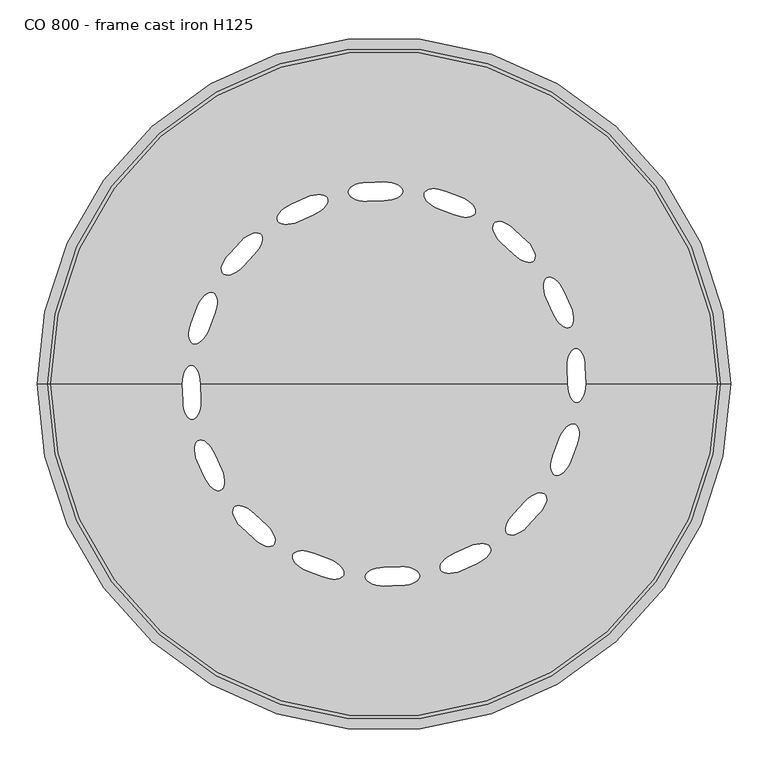
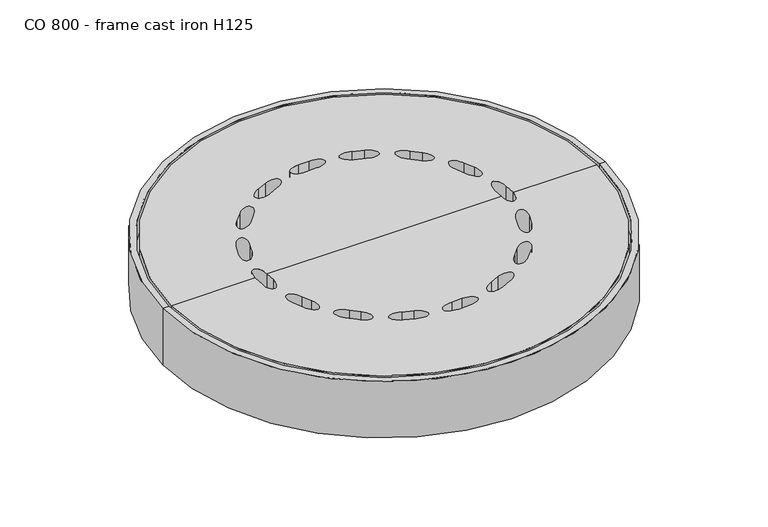
"""IFC4 building model written with IfcOpenShell, lengths in millimetres: sanitary terminal geometry, CO 800 - frame cast iron H125."""

from ifc_helpers import new_model, si_unit, point, frame, origin, origin_with_axes, place, context, project, spatial, polyline, circle_curve, ellipse_curve, trimmed, source, transform, mapped, element, save
from ifc_brep_helpers import plane_surface, cylinder_surface, revolved_surface, extruded_surface, advanced_brep


def co_800_frame_cast_iron_h125_b938201f(model_context):
    return source(origin(), model_context, "Body", "AdvancedBrep", [
        advanced_brep(
        [(-410.0, 0.0, -40.0), (410.0, 0.0, -40.0), (450.0, 0.0, -40.0), (-450.0, 0.0, -40.0), (-410.0, 0.0, -50.0), (410.0, 0.0, -50.0), (-450.0, 0.0, -50.0), (450.0, 0.0, -50.0), (-450.0, 0.0, -115.0), (450.0, 0.0, -115.0), (-400.0, 0.0, -115.0), (400.0, 0.0, -115.0), (-400.0, 0.0, -125.0), (400.0, 0.0, -125.0), (-463.0, 0.0, -125.0), (463.0, 0.0, -125.0), (-463.0, 0.0, 0.0), (463.0, 0.0, 0.0), (-450.0, 0.0, 0.0), (450.0, 0.0, 0.0)],
        [
            (0, 1, circle_curve(frame((0.0, 0.0, -40.0), z_axis=(0.0, 0.0, -1.0), x_axis=(1.0, 0.0, 0.0)), 410.0)),
            (1, 2),
            (2, 3, circle_curve(frame((0.0, 0.0, -40.0), z_axis=(0.0, 0.0, 1.0), x_axis=(1.0, 0.0, 0.0)), 450.0)),
            (3, 0),
            (1, 0, circle_curve(frame((0.0, 0.0, -40.0), z_axis=(0.0, 0.0, -1.0), x_axis=(1.0, 0.0, 0.0)), 410.0)),
            (3, 2, circle_curve(frame((0.0, 0.0, -40.0), z_axis=(0.0, 0.0, 1.0), x_axis=(1.0, 0.0, 0.0)), 450.0)),
            (4, 5, circle_curve(frame((0.0, 0.0, -50.0), z_axis=(0.0, 0.0, -1.0), x_axis=(1.0, 0.0, 0.0)), 410.0)),
            (5, 1),
            (0, 4),
            (5, 4, circle_curve(frame((0.0, 0.0, -50.0), z_axis=(0.0, 0.0, -1.0), x_axis=(1.0, 0.0, 0.0)), 410.0)),
            (6, 7, circle_curve(frame((0.0, 0.0, -50.0), z_axis=(0.0, 0.0, -1.0), x_axis=(1.0, 0.0, 0.0)), 450.0)),
            (7, 5),
            (4, 6),
            (7, 6, circle_curve(frame((0.0, 0.0, -50.0), z_axis=(0.0, 0.0, -1.0), x_axis=(1.0, 0.0, 0.0)), 450.0)),
            (8, 9, circle_curve(frame((0.0, 0.0, -115.0), z_axis=(0.0, 0.0, -1.0), x_axis=(1.0, 0.0, 0.0)), 450.0)),
            (9, 7),
            (6, 8),
            (9, 8, circle_curve(frame((0.0, 0.0, -115.0), z_axis=(0.0, 0.0, -1.0), x_axis=(1.0, 0.0, 0.0)), 450.0)),
            (10, 11, circle_curve(frame((0.0, 0.0, -115.0), z_axis=(0.0, 0.0, -1.0), x_axis=(1.0, 0.0, 0.0)), 400.0)),
            (11, 9),
            (8, 10),
            (11, 10, circle_curve(frame((0.0, 0.0, -115.0), z_axis=(0.0, 0.0, -1.0), x_axis=(1.0, 0.0, 0.0)), 400.0)),
            (12, 13, circle_curve(frame((0.0, 0.0, -125.0), z_axis=(0.0, 0.0, -1.0), x_axis=(1.0, 0.0, 0.0)), 400.0)),
            (13, 11),
            (10, 12),
            (13, 12, circle_curve(frame((0.0, 0.0, -125.0), z_axis=(0.0, 0.0, -1.0), x_axis=(1.0, 0.0, 0.0)), 400.0)),
            (14, 15, circle_curve(frame((0.0, 0.0, -125.0), z_axis=(0.0, 0.0, -1.0), x_axis=(1.0, 0.0, 0.0)), 463.0)),
            (15, 13),
            (12, 14),
            (15, 14, circle_curve(frame((0.0, 0.0, -125.0), z_axis=(0.0, 0.0, -1.0), x_axis=(1.0, 0.0, 0.0)), 463.0)),
            (16, 17, circle_curve(frame((0.0, 0.0, 0.0), z_axis=(0.0, 0.0, -1.0), x_axis=(1.0, 0.0, 0.0)), 463.0)),
            (17, 15),
            (14, 16),
            (17, 16, circle_curve(frame((0.0, 0.0, 0.0), z_axis=(0.0, 0.0, -1.0), x_axis=(1.0, 0.0, 0.0)), 463.0)),
            (18, 19, circle_curve(frame((0.0, 0.0, 0.0), z_axis=(0.0, 0.0, -1.0), x_axis=(1.0, 0.0, 0.0)), 450.0)),
            (19, 17),
            (16, 18),
            (19, 18, circle_curve(frame((0.0, 0.0, 0.0), z_axis=(0.0, 0.0, -1.0), x_axis=(1.0, 0.0, 0.0)), 450.0)),
            (2, 19),
            (18, 3),
        ],
        [
            plane_surface(frame((0.0, 0.0, -40.0), z_axis=(0.0, 0.0, 1.0), x_axis=(1.0, 0.0, 0.0))),
            revolved_surface(polyline([(410.0, 0.0, -40.0), (410.0, 0.0, -50.0)]), (0.0, 0.0, 434.469274), (0.0, 0.0, 1.0)),
            plane_surface(frame((0.0, 0.0, -50.0), z_axis=(0.0, 0.0, -1.0), x_axis=(1.0, 0.0, 0.0))),
            revolved_surface(polyline([(450.0, 0.0, -50.0), (450.0, 0.0, -115.00000000000006)]), (0.0, 0.0, 434.469274), (0.0, 0.0, 1.0)),
            plane_surface(frame((0.0, 0.0, -115.0), z_axis=(0.0, 0.0, 1.0), x_axis=(1.0, 0.0, 0.0))),
            revolved_surface(polyline([(400.0, 0.0, -115.00000000000006), (400.0, 0.0, -125.00000000000006)]), (0.0, 0.0, 434.469274), (0.0, 0.0, 1.0)),
            plane_surface(frame((0.0, 0.0, -125.0), z_axis=(0.0, 0.0, -1.0), x_axis=(1.0, 0.0, 0.0))),
            cylinder_surface(frame((0.0, 0.0, 434.469274), z_axis=(0.0, 0.0, 1.0), x_axis=(1.0, 0.0, 0.0)), 463.0),
            plane_surface(origin_with_axes()),
            revolved_surface(polyline([(450.0, 0.0, 0.0), (450.0, 0.0, -40.0)]), (0.0, 0.0, 434.469274), (0.0, 0.0, 1.0)),
        ],
        [
            (0, [[1, 2, 3, 4]]),
            (0, [[5, -4, 6, -2]]),
            (1, [[7, 8, -1, 9]]),
            (1, [[10, -9, -5, -8]]),
            (2, [[11, 12, -7, 13]]),
            (2, [[14, -13, -10, -12]]),
            (3, [[15, 16, -11, 17]]),
            (3, [[18, -17, -14, -16]]),
            (4, [[19, 20, -15, 21]]),
            (4, [[22, -21, -18, -20]]),
            (5, [[23, 24, -19, 25]]),
            (5, [[26, -25, -22, -24]]),
            (6, [[27, 28, -23, 29]]),
            (6, [[30, -29, -26, -28]]),
            (7, [[31, 32, -27, 33]]),
            (7, [[34, -33, -30, -32]]),
            (8, [[35, 36, -31, 37]]),
            (8, [[38, -37, -34, -36]]),
            (9, [[-3, 39, -35, 40]]),
            (9, [[-6, -40, -38, -39]]),
        ],
    ),
        advanced_brep(
        [(445.0, 0.0, -50.0), (-445.0, 0.0, -50.0), (-445.0, 0.0, 0.0), (445.0, 0.0, 0.0), (-270.0, 0.0, 0.0), (-245.0, 0.0, 0.0), (0.0, 0.0, 0.0), (245.0, 0.0, 0.0), (243.945145, 22.710487, 0.0), (269.043182, 22.710487, 0.0), (270.0, 0.0, 0.0), (0.0, 270.0, 0.0), (0.0, 245.0, 0.0), (-22.710487, 243.945145, 0.0), (-22.710487, 269.043182, 0.0), (103.3245267, 249.4474738, 0.0), (93.7574409, 226.3504855, 0.0), (72.3720112, 234.0668537, 0.0), (81.9766142, 257.2544163, 0.0), (-103.3245267, 249.4474738, 0.0), (-93.7574409, 226.3504855, 0.0), (-114.3355196, 216.6849994, 0.0), (-123.9401225, 239.8725621, 0.0), (-190.9188309, 190.9188309, 0.0), (-173.2411614, 173.2411614, 0.0), (-188.5540057, 156.4365269, 0.0), (-206.3009978, 174.183519, 0.0), (-249.4474738, 103.3245267, 0.0), (-226.3504855, 93.7574409, 0.0), (-234.0668537, 72.3720112, 0.0), (-257.2544163, 81.9766142, 0.0), (249.4474738, 103.3245267, 0.0), (226.3504855, 93.7574409, 0.0), (216.6849994, 114.3355196, 0.0), (239.8725621, 123.9401225, 0.0), (190.9188309, 190.9188309, 0.0), (173.2411614, 173.2411614, 0.0), (156.4365269, 188.5540057, 0.0), (174.183519, 206.3009978, 0.0), (-243.945145, -22.710487, 0.0), (-269.043182, -22.710487, 0.0), (-249.4474738, -103.3245267, 0.0), (-226.3504855, -93.7574409, 0.0), (-216.6849994, -114.3355196, 0.0), (-239.8725621, -123.9401225, 0.0), (-190.9188309, -190.9188309, 0.0), (-173.2411614, -173.2411614, 0.0), (-156.4365269, -188.5540057, 0.0), (-174.183519, -206.3009978, 0.0), (-103.3245267, -249.4474738, 0.0), (-93.7574409, -226.3504855, 0.0), (-72.3720112, -234.0668537, 0.0), (-81.9766142, -257.2544163, 0.0), (0.0, -270.0, 0.0), (0.0, -245.0, 0.0), (22.710487, -243.945145, 0.0), (22.710487, -269.043182, 0.0), (103.3245267, -249.4474738, 0.0), (93.7574409, -226.3504855, 0.0), (114.3355196, -216.6849994, 0.0), (123.9401225, -239.8725621, 0.0), (190.9188309, -190.9188309, 0.0), (173.2411614, -173.2411614, 0.0), (188.5540057, -156.4365269, 0.0), (206.3009978, -174.183519, 0.0), (249.4474738, -103.3245267, 0.0), (226.3504855, -93.7574409, 0.0), (234.0668537, -72.3720112, 0.0), (257.2544163, -81.9766142, 0.0), (270.0, 0.0, -50.0), (269.043182, 22.710487, -50.0), (243.945145, 22.710487, -50.0), (245.0, 0.0, -50.0), (0.0, 0.0, -50.0), (-245.0, 0.0, -50.0), (-270.0, 0.0, -50.0), (0.0, 245.0, -50.0), (0.0, 270.0, -50.0), (-22.710487, 269.043182, -50.0), (-22.710487, 243.945145, -50.0), (93.7574409, 226.3504855, -50.0), (103.3245267, 249.4474738, -50.0), (81.9766142, 257.2544163, -50.0), (72.3720112, 234.0668537, -50.0), (-93.7574409, 226.3504855, -50.0), (-103.3245267, 249.4474738, -50.0), (-123.9401225, 239.8725621, -50.0), (-114.3355196, 216.6849994, -50.0), (-173.2411614, 173.2411614, -50.0), (-190.9188309, 190.9188309, -50.0), (-206.3009978, 174.183519, -50.0), (-188.5540057, 156.4365269, -50.0), (-226.3504855, 93.7574409, -50.0), (-249.4474738, 103.3245267, -50.0), (-257.2544163, 81.9766142, -50.0), (-234.0668537, 72.3720112, -50.0), (226.3504855, 93.7574409, -50.0), (249.4474738, 103.3245267, -50.0), (239.8725621, 123.9401225, -50.0), (216.6849994, 114.3355196, -50.0), (173.2411614, 173.2411614, -50.0), (190.9188309, 190.9188309, -50.0), (174.183519, 206.3009978, -50.0), (156.4365269, 188.5540057, -50.0), (-269.043182, -22.710487, -50.0), (-243.945145, -22.710487, -50.0), (-226.3504855, -93.7574409, -50.0), (-249.4474738, -103.3245267, -50.0), (-239.8725621, -123.9401225, -50.0), (-216.6849994, -114.3355196, -50.0), (-173.2411614, -173.2411614, -50.0), (-190.9188309, -190.9188309, -50.0), (-174.183519, -206.3009978, -50.0), (-156.4365269, -188.5540057, -50.0), (-93.7574409, -226.3504855, -50.0), (-103.3245267, -249.4474738, -50.0), (-81.9766142, -257.2544163, -50.0), (-72.3720112, -234.0668537, -50.0), (0.0, -245.0, -50.0), (0.0, -270.0, -50.0), (22.710487, -269.043182, -50.0), (22.710487, -243.945145, -50.0), (93.7574409, -226.3504855, -50.0), (103.3245267, -249.4474738, -50.0), (123.9401225, -239.8725621, -50.0), (114.3355196, -216.6849994, -50.0), (173.2411614, -173.2411614, -50.0), (190.9188309, -190.9188309, -50.0), (206.3009978, -174.183519, -50.0), (188.5540057, -156.4365269, -50.0), (226.3504855, -93.7574409, -50.0), (249.4474738, -103.3245267, -50.0), (257.2544163, -81.9766142, -50.0), (234.0668537, -72.3720112, -50.0)],
        [
            (0, 1, circle_curve(frame((0.0, 0.0, -50.0), z_axis=(0.0, 0.0, 1.0), x_axis=(-1.0, 0.0, 0.0)), 445.0)),
            (1, 2),
            (2, 3, circle_curve(frame((0.0, 0.0, 0.0), z_axis=(0.0, 0.0, -1.0), x_axis=(-1.0, 0.0, 0.0)), 445.0)),
            (3, 0),
            (1, 0, circle_curve(frame((0.0, 0.0, -50.0), z_axis=(0.0, 0.0, 1.0), x_axis=(-1.0, 0.0, 0.0)), 445.0)),
            (3, 2, circle_curve(frame((0.0, 0.0, 0.0), z_axis=(0.0, 0.0, -1.0), x_axis=(-1.0, 0.0, 0.0)), 445.0)),
            (2, 4),
            (4, 5, ellipse_curve(frame((-257.5, 0.0, 0.0), z_axis=(0.0, 0.0, -1.0), x_axis=(0.0, -1.0, 0.0)), 25.0, 12.5)),
            (5, 6),
            (6, 7),
            (7, 8, circle_curve(frame((0.0, 0.0, 0.0), z_axis=(0.0, 0.0, 1.0), x_axis=(0.0, 1.0, 0.0)), 245.0)),
            (8, 9, ellipse_curve(frame((256.4941635, 22.710487, 0.0), z_axis=(0.0, 0.0, -1.0), x_axis=(0.0, 1.0, 0.0)), 25.0, 12.5490185)),
            (9, 10, circle_curve(frame((0.0, 0.0, 0.0), z_axis=(0.0, 0.0, -1.0), x_axis=(0.0, 1.0, 0.0)), 270.0)),
            (10, 3),
            (11, 12, ellipse_curve(frame((0.0, 257.5, 0.0), z_axis=(0.0, 0.0, -1.0), x_axis=(-1.0, 0.0, 0.0)), 25.0, 12.5)),
            (12, 13, circle_curve(frame((0.0, 0.0, 0.0), z_axis=(0.0, 0.0, 1.0), x_axis=(-1.0, 0.0, 0.0)), 245.0)),
            (13, 14, ellipse_curve(frame((-22.710487, 256.4941635, 0.0), z_axis=(0.0, 0.0, -1.0), x_axis=(-1.0, 0.0, 0.0)), 25.0, 12.5490185)),
            (14, 11, circle_curve(frame((0.0, 0.0, 0.0), z_axis=(0.0, 0.0, -1.0), x_axis=(-1.0, 0.0, 0.0)), 270.0)),
            (15, 16, ellipse_curve(frame((98.5409838, 237.8989796, 0.0), z_axis=(0.0, 0.0, -1.0), x_axis=(-0.9238795325112736, 0.3826834323651216, 0.0)), 25.0, 12.5)),
            (16, 17, circle_curve(frame((0.0, 0.0, 0.0), z_axis=(0.0, 0.0, 1.0), x_axis=(-0.9238795325112747, 0.3826834323651191, 0.0)), 245.0)),
            (17, 18, ellipse_curve(frame((77.1743127, 245.660635, 0.0), z_axis=(0.0, 0.0, -1.0), x_axis=(-0.9238795325112736, 0.3826834323651216, 0.0)), 25.0, 12.5490185)),
            (18, 15, circle_curve(frame((0.0, 0.0, 0.0), z_axis=(0.0, 0.0, -1.0), x_axis=(-0.9238795325112747, 0.3826834323651191, 0.0)), 270.0)),
            (19, 20, ellipse_curve(frame((-98.5409838, 237.8989796, 0.0), z_axis=(0.0, 0.0, -1.0), x_axis=(-0.9238795325113, -0.3826834323650579, 0.0)), 25.0, 12.5)),
            (20, 21, circle_curve(frame((0.0, 0.0, 0.0), z_axis=(0.0, 0.0, 1.0), x_axis=(-0.923879532511299, -0.3826834323650604, 0.0)), 245.0)),
            (21, 22, ellipse_curve(frame((-119.137821, 228.2787807, 0.0), z_axis=(0.0, 0.0, -1.0), x_axis=(-0.9238795325113, -0.3826834323650579, 0.0)), 25.0, 12.5490185)),
            (22, 19, circle_curve(frame((0.0, 0.0, 0.0), z_axis=(0.0, 0.0, -1.0), x_axis=(-0.923879532511299, -0.3826834323650604, 0.0)), 270.0)),
            (23, 24, ellipse_curve(frame((-182.0799962, 182.0799962, 0.0), z_axis=(0.0, 0.0, -1.0), x_axis=(-0.7071067811865723, -0.7071067811865227, 0.0)), 25.0, 12.5)),
            (24, 25, circle_curve(frame((0.0, 0.0, 0.0), z_axis=(0.0, 0.0, 1.0), x_axis=(-0.7071067811865704, -0.7071067811865246, 0.0)), 245.0)),
            (25, 26, ellipse_curve(frame((-197.4275017, 165.310023, 0.0), z_axis=(0.0, 0.0, -1.0), x_axis=(-0.7071067811865723, -0.7071067811865227, 0.0)), 25.0, 12.5490185)),
            (26, 23, circle_curve(frame((0.0, 0.0, 0.0), z_axis=(0.0, 0.0, -1.0), x_axis=(-0.7071067811865704, -0.7071067811865246, 0.0)), 270.0)),
            (27, 28, ellipse_curve(frame((-237.8989796, 98.5409838, 0.0), z_axis=(0.0, 0.0, -1.0), x_axis=(-0.3826834323651223, -0.9238795325112733, 0.0)), 25.0, 12.5)),
            (28, 29, circle_curve(frame((0.0, 0.0, 0.0), z_axis=(0.0, 0.0, 1.0), x_axis=(-0.3826834323651199, -0.9238795325112743, 0.0)), 245.0)),
            (29, 30, ellipse_curve(frame((-245.660635, 77.1743127, 0.0), z_axis=(0.0, 0.0, -1.0), x_axis=(-0.3826834323651223, -0.9238795325112733, 0.0)), 25.0, 12.5490185)),
            (30, 27, circle_curve(frame((0.0, 0.0, 0.0), z_axis=(0.0, 0.0, -1.0), x_axis=(-0.3826834323651199, -0.9238795325112743, 0.0)), 270.0)),
            (31, 32, ellipse_curve(frame((237.8989796, 98.5409838, 0.0), z_axis=(0.0, 0.0, -1.0), x_axis=(-0.3826834323650418, 0.9238795325113066, 0.0)), 25.0, 12.5)),
            (32, 33, circle_curve(frame((0.0, 0.0, 0.0), z_axis=(0.0, 0.0, 1.0), x_axis=(-0.3826834323650443, 0.9238795325113056, 0.0)), 245.0)),
            (33, 34, ellipse_curve(frame((228.2787807, 119.137821, 0.0), z_axis=(0.0, 0.0, -1.0), x_axis=(-0.3826834323650418, 0.9238795325113066, 0.0)), 25.0, 12.5490185)),
            (34, 31, circle_curve(frame((0.0, 0.0, 0.0), z_axis=(0.0, 0.0, -1.0), x_axis=(-0.3826834323650443, 0.9238795325113056, 0.0)), 270.0)),
            (35, 36, ellipse_curve(frame((182.0799962, 182.0799962, 0.0), z_axis=(0.0, 0.0, -1.0), x_axis=(-0.7071067811865195, 0.7071067811865756, 0.0)), 25.0, 12.5)),
            (36, 37, circle_curve(frame((0.0, 0.0, 0.0), z_axis=(0.0, 0.0, 1.0), x_axis=(-0.7071067811865214, 0.7071067811865737, 0.0)), 245.0)),
            (37, 38, ellipse_curve(frame((165.310023, 197.4275017, 0.0), z_axis=(0.0, 0.0, -1.0), x_axis=(-0.7071067811865195, 0.7071067811865756, 0.0)), 25.0, 12.5490185)),
            (38, 35, circle_curve(frame((0.0, 0.0, 0.0), z_axis=(0.0, 0.0, -1.0), x_axis=(-0.7071067811865214, 0.7071067811865737, 0.0)), 270.0)),
            (10, 7, ellipse_curve(frame((257.5, 0.0, 0.0), z_axis=(0.0, 0.0, -1.0), x_axis=(0.0, 1.0, 0.0)), 25.0, 12.5)),
            (5, 39, circle_curve(frame((0.0, 0.0, 0.0), z_axis=(0.0, 0.0, 1.0), x_axis=(0.0, -1.0, 0.0)), 245.0)),
            (39, 40, ellipse_curve(frame((-256.4941635, -22.710487, 0.0), z_axis=(0.0, 0.0, -1.0), x_axis=(0.0, -1.0, 0.0)), 25.0, 12.5490185)),
            (40, 4, circle_curve(frame((0.0, 0.0, 0.0), z_axis=(0.0, 0.0, -1.0), x_axis=(0.0, -1.0, 0.0)), 270.0)),
            (41, 42, ellipse_curve(frame((-237.8989796, -98.5409838, 0.0), z_axis=(0.0, 0.0, -1.0), x_axis=(0.3826834323650564, -0.9238795325113006, 0.0)), 25.0, 12.5)),
            (42, 43, circle_curve(frame((0.0, 0.0, 0.0), z_axis=(0.0, 0.0, 1.0), x_axis=(0.38268343236505886, -0.9238795325112996, 0.0)), 245.0)),
            (43, 44, ellipse_curve(frame((-228.2787807, -119.137821, 0.0), z_axis=(0.0, 0.0, -1.0), x_axis=(0.3826834323650564, -0.9238795325113006, 0.0)), 25.0, 12.5490185)),
            (44, 41, circle_curve(frame((0.0, 0.0, 0.0), z_axis=(0.0, 0.0, -1.0), x_axis=(0.38268343236505886, -0.9238795325112996, 0.0)), 270.0)),
            (45, 46, ellipse_curve(frame((-182.0799962, -182.0799962, 0.0), z_axis=(0.0, 0.0, -1.0), x_axis=(0.7071067811865172, -0.7071067811865779, 0.0)), 25.0, 12.5)),
            (46, 47, circle_curve(frame((0.0, 0.0, 0.0), z_axis=(0.0, 0.0, 1.0), x_axis=(0.707106781186519, -0.707106781186576, 0.0)), 245.0)),
            (47, 48, ellipse_curve(frame((-165.310023, -197.4275017, 0.0), z_axis=(0.0, 0.0, -1.0), x_axis=(0.7071067811865172, -0.7071067811865779, 0.0)), 25.0, 12.5490185)),
            (48, 45, circle_curve(frame((0.0, 0.0, 0.0), z_axis=(0.0, 0.0, -1.0), x_axis=(0.707106781186519, -0.707106781186576, 0.0)), 270.0)),
            (49, 50, ellipse_curve(frame((-98.5409838, -237.8989796, 0.0), z_axis=(0.0, 0.0, -1.0000000000000002), x_axis=(0.9238795325112679, -0.38268343236513563, 0.0)), 25.0, 12.5)),
            (50, 51, circle_curve(frame((0.0, 0.0, 0.0), z_axis=(0.0, 0.0, 1.0), x_axis=(0.9238795325112689, -0.3826834323651331, 0.0)), 245.0)),
            (51, 52, ellipse_curve(frame((-77.1743127, -245.660635, 0.0), z_axis=(0.0, 0.0, -1.0000000000000002), x_axis=(0.9238795325112679, -0.38268343236513563, 0.0)), 25.0, 12.5490185)),
            (52, 49, circle_curve(frame((0.0, 0.0, 0.0), z_axis=(0.0, 0.0, -1.0), x_axis=(0.9238795325112689, -0.3826834323651331, 0.0)), 270.0)),
            (53, 54, ellipse_curve(frame((0.0, -257.5, 0.0), z_axis=(0.0, 0.0, -1.0), x_axis=(1.0, 0.0, 0.0)), 25.0, 12.5)),
            (54, 55, circle_curve(origin_with_axes(), 245.0)),
            (55, 56, ellipse_curve(frame((22.710487, -256.4941635, 0.0), z_axis=(0.0, 0.0, -1.0), x_axis=(1.0, 0.0, 0.0)), 25.0, 12.5490185)),
            (56, 53, circle_curve(frame((0.0, 0.0, 0.0), z_axis=(0.0, 0.0, -1.0), x_axis=(1.0, 0.0, 0.0)), 270.0)),
            (57, 58, ellipse_curve(frame((98.5409838, -237.8989796, 0.0), z_axis=(0.0, 0.0, -1.0), x_axis=(0.9238795325113058, 0.38268343236504365, 0.0)), 25.0, 12.5)),
            (58, 59, circle_curve(frame((0.0, 0.0, 0.0), z_axis=(0.0, 0.0, 1.0), x_axis=(0.923879532511305, 0.3826834323650461, 0.0)), 245.0)),
            (59, 60, ellipse_curve(frame((119.137821, -228.2787807, 0.0), z_axis=(0.0, 0.0, -1.0), x_axis=(0.9238795325113058, 0.38268343236504365, 0.0)), 25.0, 12.5490185)),
            (60, 57, circle_curve(frame((0.0, 0.0, 0.0), z_axis=(0.0, 0.0, -1.0), x_axis=(0.923879532511305, 0.3826834323650461, 0.0)), 270.0)),
            (61, 62, ellipse_curve(frame((182.0799962, -182.0799962, 0.0), z_axis=(0.0, 0.0, -1.0), x_axis=(0.7071067811865839, 0.7071067811865112, 0.0)), 25.0, 12.5)),
            (62, 63, circle_curve(frame((0.0, 0.0, 0.0), z_axis=(0.0, 0.0, 1.0), x_axis=(0.707106781186582, 0.707106781186513, 0.0)), 245.0)),
            (63, 64, ellipse_curve(frame((197.4275017, -165.310023, 0.0), z_axis=(0.0, 0.0, -1.0), x_axis=(0.7071067811865839, 0.7071067811865112, 0.0)), 25.0, 12.5490185)),
            (64, 61, circle_curve(frame((0.0, 0.0, 0.0), z_axis=(0.0, 0.0, -1.0), x_axis=(0.707106781186582, 0.707106781186513, 0.0)), 270.0)),
            (65, 66, ellipse_curve(frame((237.8989796, -98.5409838, 0.0), z_axis=(0.0, 0.0, -1.0000000000000002), x_axis=(0.38268343236513686, 0.9238795325112674, 0.0)), 25.0, 12.5)),
            (66, 67, circle_curve(frame((0.0, 0.0, 0.0), z_axis=(0.0, 0.0, 1.0), x_axis=(0.38268343236513436, 0.9238795325112683, 0.0)), 245.0)),
            (67, 68, ellipse_curve(frame((245.660635, -77.1743127, 0.0), z_axis=(0.0, 0.0, -1.0000000000000002), x_axis=(0.38268343236513686, 0.9238795325112674, 0.0)), 25.0, 12.5490185)),
            (68, 65, circle_curve(frame((0.0, 0.0, 0.0), z_axis=(0.0, 0.0, -1.0), x_axis=(0.38268343236513436, 0.9238795325112683, 0.0)), 270.0)),
            (0, 69),
            (69, 70, circle_curve(frame((0.0, 0.0, -50.0), z_axis=(0.0, 0.0, 1.0), x_axis=(0.0, 1.0, 0.0)), 270.0)),
            (70, 71, ellipse_curve(frame((256.4941635, 22.710487, -50.0), z_axis=(0.0, 0.0, 1.0), x_axis=(0.0, 1.0, 0.0)), 25.0, 12.5490185)),
            (71, 72, circle_curve(frame((0.0, 0.0, -50.0), z_axis=(0.0, 0.0, -1.0), x_axis=(0.0, 1.0, 0.0)), 245.0)),
            (72, 73),
            (73, 74),
            (74, 75, ellipse_curve(frame((-257.5, 0.0, -50.0), z_axis=(0.0, 0.0, 1.0), x_axis=(0.0, -1.0, 0.0)), 25.0, 12.5)),
            (75, 1),
            (76, 77, ellipse_curve(frame((0.0, 257.5, -50.0), z_axis=(0.0, 0.0, 1.0), x_axis=(-1.0, 0.0, 0.0)), 25.0, 12.5)),
            (77, 78, circle_curve(frame((0.0, 0.0, -50.0), z_axis=(0.0, 0.0, 1.0), x_axis=(-1.0, 0.0, 0.0)), 270.0)),
            (78, 79, ellipse_curve(frame((-22.710487, 256.4941635, -50.0), z_axis=(0.0, 0.0, 1.0), x_axis=(-1.0, 0.0, 0.0)), 25.0, 12.5490185)),
            (79, 76, circle_curve(frame((0.0, 0.0, -50.0), z_axis=(0.0, 0.0, -1.0), x_axis=(-1.0, 0.0, 0.0)), 245.0)),
            (80, 81, ellipse_curve(frame((98.5409838, 237.8989796, -50.0), z_axis=(0.0, 0.0, 1.0), x_axis=(-0.9238795325112736, 0.3826834323651216, 0.0)), 25.0, 12.5)),
            (81, 82, circle_curve(frame((0.0, 0.0, -50.0), z_axis=(0.0, 0.0, 1.0), x_axis=(-0.9238795325112747, 0.3826834323651191, 0.0)), 270.0)),
            (82, 83, ellipse_curve(frame((77.1743127, 245.660635, -50.0), z_axis=(0.0, 0.0, 1.0), x_axis=(-0.9238795325112736, 0.3826834323651216, 0.0)), 25.0, 12.5490185)),
            (83, 80, circle_curve(frame((0.0, 0.0, -50.0), z_axis=(0.0, 0.0, -1.0), x_axis=(-0.9238795325112747, 0.3826834323651191, 0.0)), 245.0)),
            (84, 85, ellipse_curve(frame((-98.5409838, 237.8989796, -50.0), z_axis=(0.0, 0.0, 1.0), x_axis=(-0.9238795325113, -0.3826834323650579, 0.0)), 25.0, 12.5)),
            (85, 86, circle_curve(frame((0.0, 0.0, -50.0), z_axis=(0.0, 0.0, 1.0), x_axis=(-0.923879532511299, -0.3826834323650604, 0.0)), 270.0)),
            (86, 87, ellipse_curve(frame((-119.137821, 228.2787807, -50.0), z_axis=(0.0, 0.0, 1.0), x_axis=(-0.9238795325113, -0.3826834323650579, 0.0)), 25.0, 12.5490185)),
            (87, 84, circle_curve(frame((0.0, 0.0, -50.0), z_axis=(0.0, 0.0, -1.0), x_axis=(-0.923879532511299, -0.3826834323650604, 0.0)), 245.0)),
            (88, 89, ellipse_curve(frame((-182.0799962, 182.0799962, -50.0), z_axis=(0.0, 0.0, 1.0), x_axis=(-0.7071067811865723, -0.7071067811865227, 0.0)), 25.0, 12.5)),
            (89, 90, circle_curve(frame((0.0, 0.0, -50.0), z_axis=(0.0, 0.0, 1.0), x_axis=(-0.7071067811865704, -0.7071067811865246, 0.0)), 270.0)),
            (90, 91, ellipse_curve(frame((-197.4275017, 165.310023, -50.0), z_axis=(0.0, 0.0, 1.0), x_axis=(-0.7071067811865723, -0.7071067811865227, 0.0)), 25.0, 12.5490185)),
            (91, 88, circle_curve(frame((0.0, 0.0, -50.0), z_axis=(0.0, 0.0, -1.0), x_axis=(-0.7071067811865704, -0.7071067811865246, 0.0)), 245.0)),
            (92, 93, ellipse_curve(frame((-237.8989796, 98.5409838, -50.0), z_axis=(0.0, 0.0, 1.0), x_axis=(-0.3826834323651223, -0.9238795325112733, 0.0)), 25.0, 12.5)),
            (93, 94, circle_curve(frame((0.0, 0.0, -50.0), z_axis=(0.0, 0.0, 1.0), x_axis=(-0.3826834323651199, -0.9238795325112743, 0.0)), 270.0)),
            (94, 95, ellipse_curve(frame((-245.660635, 77.1743127, -50.0), z_axis=(0.0, 0.0, 1.0), x_axis=(-0.3826834323651223, -0.9238795325112733, 0.0)), 25.0, 12.5490185)),
            (95, 92, circle_curve(frame((0.0, 0.0, -50.0), z_axis=(0.0, 0.0, -1.0), x_axis=(-0.3826834323651199, -0.9238795325112743, 0.0)), 245.0)),
            (96, 97, ellipse_curve(frame((237.8989796, 98.5409838, -50.0), z_axis=(0.0, 0.0, 1.0), x_axis=(-0.3826834323650418, 0.9238795325113066, 0.0)), 25.0, 12.5)),
            (97, 98, circle_curve(frame((0.0, 0.0, -50.0), z_axis=(0.0, 0.0, 1.0), x_axis=(-0.3826834323650443, 0.9238795325113056, 0.0)), 270.0)),
            (98, 99, ellipse_curve(frame((228.2787807, 119.137821, -50.0), z_axis=(0.0, 0.0, 1.0), x_axis=(-0.3826834323650418, 0.9238795325113066, 0.0)), 25.0, 12.5490185)),
            (99, 96, circle_curve(frame((0.0, 0.0, -50.0), z_axis=(0.0, 0.0, -1.0), x_axis=(-0.3826834323650443, 0.9238795325113056, 0.0)), 245.0)),
            (100, 101, ellipse_curve(frame((182.0799962, 182.0799962, -50.0), z_axis=(0.0, 0.0, 1.0), x_axis=(-0.7071067811865195, 0.7071067811865756, 0.0)), 25.0, 12.5)),
            (101, 102, circle_curve(frame((0.0, 0.0, -50.0), z_axis=(0.0, 0.0, 1.0), x_axis=(-0.7071067811865214, 0.7071067811865737, 0.0)), 270.0)),
            (102, 103, ellipse_curve(frame((165.310023, 197.4275017, -50.0), z_axis=(0.0, 0.0, 1.0), x_axis=(-0.7071067811865195, 0.7071067811865756, 0.0)), 25.0, 12.5490185)),
            (103, 100, circle_curve(frame((0.0, 0.0, -50.0), z_axis=(0.0, 0.0, -1.0), x_axis=(-0.7071067811865214, 0.7071067811865737, 0.0)), 245.0)),
            (75, 104, circle_curve(frame((0.0, 0.0, -50.0), z_axis=(0.0, 0.0, 1.0), x_axis=(0.0, -1.0, 0.0)), 270.0)),
            (104, 105, ellipse_curve(frame((-256.4941635, -22.710487, -50.0), z_axis=(0.0, 0.0, 1.0), x_axis=(0.0, -1.0, 0.0)), 25.0, 12.5490185)),
            (105, 74, circle_curve(frame((0.0, 0.0, -50.0), z_axis=(0.0, 0.0, -1.0), x_axis=(0.0, -1.0, 0.0)), 245.0)),
            (72, 69, ellipse_curve(frame((257.5, 0.0, -50.0), z_axis=(0.0, 0.0, 1.0), x_axis=(0.0, 1.0, 0.0)), 25.0, 12.5)),
            (106, 107, ellipse_curve(frame((-237.8989796, -98.5409838, -50.0), z_axis=(0.0, 0.0, 1.0), x_axis=(0.3826834323650564, -0.9238795325113006, 0.0)), 25.0, 12.5)),
            (107, 108, circle_curve(frame((0.0, 0.0, -50.0), z_axis=(0.0, 0.0, 1.0), x_axis=(0.38268343236505886, -0.9238795325112996, 0.0)), 270.0)),
            (108, 109, ellipse_curve(frame((-228.2787807, -119.137821, -50.0), z_axis=(0.0, 0.0, 1.0), x_axis=(0.3826834323650564, -0.9238795325113006, 0.0)), 25.0, 12.5490185)),
            (109, 106, circle_curve(frame((0.0, 0.0, -50.0), z_axis=(0.0, 0.0, -1.0), x_axis=(0.38268343236505886, -0.9238795325112996, 0.0)), 245.0)),
            (110, 111, ellipse_curve(frame((-182.0799962, -182.0799962, -50.0), z_axis=(0.0, 0.0, 1.0), x_axis=(0.7071067811865172, -0.7071067811865779, 0.0)), 25.0, 12.5)),
            (111, 112, circle_curve(frame((0.0, 0.0, -50.0), z_axis=(0.0, 0.0, 1.0), x_axis=(0.707106781186519, -0.707106781186576, 0.0)), 270.0)),
            (112, 113, ellipse_curve(frame((-165.310023, -197.4275017, -50.0), z_axis=(0.0, 0.0, 1.0), x_axis=(0.7071067811865172, -0.7071067811865779, 0.0)), 25.0, 12.5490185)),
            (113, 110, circle_curve(frame((0.0, 0.0, -50.0), z_axis=(0.0, 0.0, -1.0), x_axis=(0.707106781186519, -0.707106781186576, 0.0)), 245.0)),
            (114, 115, ellipse_curve(frame((-98.5409838, -237.8989796, -50.0), z_axis=(0.0, 0.0, 1.0000000000000002), x_axis=(0.9238795325112679, -0.38268343236513563, 0.0)), 25.0, 12.5)),
            (115, 116, circle_curve(frame((0.0, 0.0, -50.0), z_axis=(0.0, 0.0, 1.0), x_axis=(0.9238795325112689, -0.3826834323651331, 0.0)), 270.0)),
            (116, 117, ellipse_curve(frame((-77.1743127, -245.660635, -50.0), z_axis=(0.0, 0.0, 1.0000000000000002), x_axis=(0.9238795325112679, -0.38268343236513563, 0.0)), 25.0, 12.5490185)),
            (117, 114, circle_curve(frame((0.0, 0.0, -50.0), z_axis=(0.0, 0.0, -1.0), x_axis=(0.9238795325112689, -0.3826834323651331, 0.0)), 245.0)),
            (118, 119, ellipse_curve(frame((0.0, -257.5, -50.0), z_axis=(0.0, 0.0, 1.0), x_axis=(1.0, 0.0, 0.0)), 25.0, 12.5)),
            (119, 120, circle_curve(frame((0.0, 0.0, -50.0), z_axis=(0.0, 0.0, 1.0), x_axis=(1.0, 0.0, 0.0)), 270.0)),
            (120, 121, ellipse_curve(frame((22.710487, -256.4941635, -50.0), z_axis=(0.0, 0.0, 1.0), x_axis=(1.0, 0.0, 0.0)), 25.0, 12.5490185)),
            (121, 118, circle_curve(frame((0.0, 0.0, -50.0), z_axis=(0.0, 0.0, -1.0), x_axis=(1.0, 0.0, 0.0)), 245.0)),
            (122, 123, ellipse_curve(frame((98.5409838, -237.8989796, -50.0), z_axis=(0.0, 0.0, 1.0), x_axis=(0.9238795325113058, 0.38268343236504365, 0.0)), 25.0, 12.5)),
            (123, 124, circle_curve(frame((0.0, 0.0, -50.0), z_axis=(0.0, 0.0, 1.0), x_axis=(0.923879532511305, 0.3826834323650461, 0.0)), 270.0)),
            (124, 125, ellipse_curve(frame((119.137821, -228.2787807, -50.0), z_axis=(0.0, 0.0, 1.0), x_axis=(0.9238795325113058, 0.38268343236504365, 0.0)), 25.0, 12.5490185)),
            (125, 122, circle_curve(frame((0.0, 0.0, -50.0), z_axis=(0.0, 0.0, -1.0), x_axis=(0.923879532511305, 0.3826834323650461, 0.0)), 245.0)),
            (126, 127, ellipse_curve(frame((182.0799962, -182.0799962, -50.0), z_axis=(0.0, 0.0, 1.0), x_axis=(0.7071067811865839, 0.7071067811865112, 0.0)), 25.0, 12.5)),
            (127, 128, circle_curve(frame((0.0, 0.0, -50.0), z_axis=(0.0, 0.0, 1.0), x_axis=(0.707106781186582, 0.707106781186513, 0.0)), 270.0)),
            (128, 129, ellipse_curve(frame((197.4275017, -165.310023, -50.0), z_axis=(0.0, 0.0, 1.0), x_axis=(0.7071067811865839, 0.7071067811865112, 0.0)), 25.0, 12.5490185)),
            (129, 126, circle_curve(frame((0.0, 0.0, -50.0), z_axis=(0.0, 0.0, -1.0), x_axis=(0.707106781186582, 0.707106781186513, 0.0)), 245.0)),
            (130, 131, ellipse_curve(frame((237.8989796, -98.5409838, -50.0), z_axis=(0.0, 0.0, 1.0000000000000002), x_axis=(0.38268343236513686, 0.9238795325112674, 0.0)), 25.0, 12.5)),
            (131, 132, circle_curve(frame((0.0, 0.0, -50.0), z_axis=(0.0, 0.0, 1.0), x_axis=(0.38268343236513436, 0.9238795325112683, 0.0)), 270.0)),
            (132, 133, ellipse_curve(frame((245.660635, -77.1743127, -50.0), z_axis=(0.0, 0.0, 1.0000000000000002), x_axis=(0.38268343236513686, 0.9238795325112674, 0.0)), 25.0, 12.5490185)),
            (133, 130, circle_curve(frame((0.0, 0.0, -50.0), z_axis=(0.0, 0.0, -1.0), x_axis=(0.38268343236513436, 0.9238795325112683, 0.0)), 245.0)),
            (76, 12),
            (11, 77),
            (14, 78),
            (13, 79),
            (80, 16),
            (15, 81),
            (18, 82),
            (17, 83),
            (84, 20),
            (19, 85),
            (22, 86),
            (21, 87),
            (88, 24),
            (23, 89),
            (26, 90),
            (25, 91),
            (92, 28),
            (27, 93),
            (30, 94),
            (29, 95),
            (4, 75),
            (74, 5),
            (40, 104),
            (39, 105),
            (106, 42),
            (41, 107),
            (44, 108),
            (43, 109),
            (110, 46),
            (45, 111),
            (48, 112),
            (47, 113),
            (114, 50),
            (49, 115),
            (52, 116),
            (51, 117),
            (118, 54),
            (53, 119),
            (56, 120),
            (55, 121),
            (122, 58),
            (57, 123),
            (60, 124),
            (59, 125),
            (126, 62),
            (61, 127),
            (64, 128),
            (63, 129),
            (130, 66),
            (65, 131),
            (68, 132),
            (67, 133),
            (10, 69),
            (72, 7),
            (9, 70),
            (8, 71),
            (96, 32),
            (31, 97),
            (34, 98),
            (33, 99),
            (100, 36),
            (35, 101),
            (38, 102),
            (37, 103),
        ],
        [
            cylinder_surface(frame((0.0, 0.0, 582.2196054), z_axis=(0.0, 0.0, -1.0), x_axis=(-1.0, 0.0, 0.0)), 445.0),
            plane_surface(frame((0.0, 0.0, 0.0), z_axis=(0.0, 0.0, 1.0), x_axis=(-1.0, 0.0, 0.0))),
            plane_surface(frame((0.0, 0.0, -50.0), z_axis=(0.0, 0.0, -1.0), x_axis=(-1.0, 0.0, 0.0))),
            extruded_surface(trimmed(ellipse_curve(frame((0.0, 257.5, -140.0), z_axis=(0.0, 0.0, 1.0), x_axis=(0.0, 1.0, 0.0)), 12.5, 25.0), [point((0.0, 245.0, -140.0))], [point((0.0, 270.0, -140.0))], True, "CARTESIAN"), (0.0, 0.0, -250.0), 250.0),
            revolved_surface(polyline([(-270.0, 0.0, 0.0), (-270.0, 0.0, -50.0)]), (0.0, 0.0, -140.0), (0.0, 0.0, 1.0)),
            extruded_surface(trimmed(ellipse_curve(frame((-22.710487, 256.4941635, -140.0), z_axis=(0.0, 0.0, 1.0), x_axis=(0.0, 1.0, 0.0)), 12.5490185, 25.0), [point((-22.710487, 269.043182, -140.0))], [point((-22.710487, 243.945145, -140.0))], True, "CARTESIAN"), (0.0, 0.0, -250.0), 250.0),
            cylinder_surface(frame((0.0, 0.0, -140.0), z_axis=(0.0, 0.0, -1.0), x_axis=(-1.0, 0.0, 0.0)), 245.0),
            extruded_surface(trimmed(ellipse_curve(frame((98.5409838, 237.8989796, -140.0), z_axis=(0.0, 0.0, 1.0), x_axis=(0.3826834323651216, 0.9238795325112736, 0.0)), 12.5, 25.0), [point((93.7574409, 226.3504855, -140.0))], [point((103.3245267, 249.4474738, -140.0))], True, "CARTESIAN"), (0.0, 0.0, -250.0), 250.0),
            revolved_surface(polyline([(-249.44747377804418, 103.32452673858215, 5.684341886080802e-14), (-249.44747377804418, 103.32452673858215, -49.99999999999997)]), (0.0, 0.0, -140.0), (0.0, 0.0, 1.0000000000000002)),
            extruded_surface(trimmed(ellipse_curve(frame((77.1743127, 245.660635, -140.0), z_axis=(0.0, 0.0, 1.0), x_axis=(0.3826834323651216, 0.9238795325112736, 0.0)), 12.5490185, 25.0), [point((81.9766142, 257.2544163, -140.0))], [point((72.3720112, 234.0668537, -140.0))], True, "CARTESIAN"), (0.0, 0.0, -250.0), 250.0),
            cylinder_surface(frame((0.0, 0.0, -140.0), z_axis=(0.0, 0.0, -1.0000000000000002), x_axis=(-0.9238795325112747, 0.3826834323651191, 0.0)), 245.0),
            extruded_surface(trimmed(ellipse_curve(frame((-98.5409838, 237.8989796, -140.0), z_axis=(0.0, 0.0, 1.0), x_axis=(-0.3826834323650579, 0.9238795325113, 0.0)), 12.5, 25.0), [point((-93.7574409, 226.3504855, -140.0))], [point((-103.3245267, 249.4474738, -140.0))], True, "CARTESIAN"), (0.0, 0.0, -250.0), 250.0),
            revolved_surface(polyline([(-249.44747377805072, -103.3245267385663, 0.0), (-249.44747377805072, -103.3245267385663, -50.0)]), (0.0, 0.0, -140.0), (0.0, 0.0, 1.0)),
            extruded_surface(trimmed(ellipse_curve(frame((-119.137821, 228.2787807, -140.0), z_axis=(0.0, 0.0, 1.0), x_axis=(-0.3826834323650579, 0.9238795325113, 0.0)), 12.5490185, 25.0), [point((-123.9401225, 239.8725621, -140.0))], [point((-114.3355196, 216.6849994, -140.0))], True, "CARTESIAN"), (0.0, 0.0, -250.0), 250.0),
            cylinder_surface(frame((0.0, 0.0, -140.0), z_axis=(0.0, 0.0, -1.0), x_axis=(-0.923879532511299, -0.3826834323650604, 0.0)), 245.0),
            extruded_surface(trimmed(ellipse_curve(frame((-182.0799962, 182.0799962, -140.0), z_axis=(0.0, 0.0, 1.0), x_axis=(-0.7071067811865227, 0.7071067811865723, 0.0)), 12.5, 25.0), [point((-173.2411614, 173.2411614, -140.0))], [point((-190.9188309, 190.9188309, -140.0))], True, "CARTESIAN"), (0.0, 0.0, -250.0), 250.0),
            revolved_surface(polyline([(-190.918830920374, -190.91883092036164, 0.0), (-190.918830920374, -190.91883092036164, -50.0)]), (0.0, 0.0, -140.0), (0.0, 0.0, 1.0)),
            extruded_surface(trimmed(ellipse_curve(frame((-197.4275017, 165.310023, -140.0), z_axis=(0.0, 0.0, 1.0), x_axis=(-0.7071067811865227, 0.7071067811865723, 0.0)), 12.5490185, 25.0), [point((-206.3009978, 174.183519, -140.0))], [point((-188.5540057, 156.4365269, -140.0))], True, "CARTESIAN"), (0.0, 0.0, -250.0), 250.0),
            cylinder_surface(frame((0.0, 0.0, -140.0), z_axis=(0.0, 0.0, -1.0), x_axis=(-0.7071067811865704, -0.7071067811865246, 0.0)), 245.0),
            extruded_surface(trimmed(ellipse_curve(frame((-237.8989796, 98.5409838, -140.0), z_axis=(0.0, 0.0, 1.0), x_axis=(-0.9238795325112733, 0.3826834323651223, 0.0)), 12.5, 25.0), [point((-226.3504855, 93.7574409, -140.0))], [point((-249.4474738, 103.3245267, -140.0))], True, "CARTESIAN"), (0.0, 0.0, -250.0), 250.0),
            revolved_surface(polyline([(-103.32452673858238, -249.44747377804407, 0.0), (-103.32452673858238, -249.44747377804407, -50.0)]), (0.0, 0.0, -140.0), (0.0, 0.0, 1.0)),
            extruded_surface(trimmed(ellipse_curve(frame((-245.660635, 77.1743127, -140.0), z_axis=(0.0, 0.0, 1.0), x_axis=(-0.9238795325112733, 0.3826834323651223, 0.0)), 12.5490185, 25.0), [point((-257.2544163, 81.9766142, -140.0))], [point((-234.0668537, 72.3720112, -140.0))], True, "CARTESIAN"), (0.0, 0.0, -250.0), 250.0),
            cylinder_surface(frame((0.0, 0.0, -140.0), z_axis=(0.0, 0.0, -1.0), x_axis=(-0.3826834323651199, -0.9238795325112743, 0.0)), 245.0),
            extruded_surface(trimmed(ellipse_curve(frame((-257.5, 0.0, -140.0), z_axis=(0.0, 0.0, 1.0), x_axis=(-1.0, 0.0, 0.0)), 12.5, 25.0), [point((-245.0, 0.0, -140.0))], [point((-270.0, 0.0, -140.0))], True, "CARTESIAN"), (0.0, 0.0, -250.0), 250.0),
            revolved_surface(polyline([(0.0, -270.0, 0.0), (0.0, -270.0, -50.0)]), (0.0, 0.0, -140.0), (0.0, 0.0, 1.0)),
            extruded_surface(trimmed(ellipse_curve(frame((-256.4941635, -22.710487, -140.0), z_axis=(0.0, 0.0, 1.0), x_axis=(-1.0, 0.0, 0.0)), 12.5490185, 25.0), [point((-269.043182, -22.710487, -140.0))], [point((-243.945145, -22.710487, -140.0))], True, "CARTESIAN"), (0.0, 0.0, -250.0), 250.0),
            cylinder_surface(frame((0.0, 0.0, -140.0), z_axis=(0.0, 0.0, -1.0), x_axis=(0.0, -1.0, 0.0)), 245.0),
            extruded_surface(trimmed(ellipse_curve(frame((-237.8989796, -98.5409838, -140.0), z_axis=(0.0, 0.0, 1.0), x_axis=(-0.9238795325113006, -0.3826834323650564, 0.0)), 12.5, 25.0), [point((-226.3504855, -93.7574409, -140.0))], [point((-249.4474738, -103.3245267, -140.0))], True, "CARTESIAN"), (0.0, 0.0, -250.0), 250.0),
            revolved_surface(polyline([(103.3245267385659, -249.4474737780509, 0.0), (103.3245267385659, -249.4474737780509, -50.0)]), (0.0, 0.0, -140.0), (0.0, 0.0, 1.0)),
            extruded_surface(trimmed(ellipse_curve(frame((-228.2787807, -119.137821, -140.0), z_axis=(0.0, 0.0, 1.0), x_axis=(-0.9238795325113006, -0.3826834323650564, 0.0)), 12.5490185, 25.0), [point((-239.8725621, -123.9401225, -140.0))], [point((-216.6849994, -114.3355196, -140.0))], True, "CARTESIAN"), (0.0, 0.0, -250.0), 250.0),
            cylinder_surface(frame((0.0, 0.0, -140.0), z_axis=(0.0, 0.0, -1.0), x_axis=(0.38268343236505886, -0.9238795325112996, 0.0)), 245.0),
            extruded_surface(trimmed(ellipse_curve(frame((-182.0799962, -182.0799962, -140.0), z_axis=(0.0, 0.0, 1.0), x_axis=(-0.7071067811865779, -0.7071067811865172, 0.0)), 12.5, 25.0), [point((-173.2411614, -173.2411614, -140.0))], [point((-190.9188309, -190.9188309, -140.0))], True, "CARTESIAN"), (0.0, 0.0, -250.0), 250.0),
            revolved_surface(polyline([(190.91883092036014, -190.9188309203755, 0.0), (190.91883092036014, -190.9188309203755, -50.0)]), (0.0, 0.0, -140.0), (0.0, 0.0, 1.0)),
            extruded_surface(trimmed(ellipse_curve(frame((-165.310023, -197.4275017, -140.0), z_axis=(0.0, 0.0, 1.0), x_axis=(-0.7071067811865779, -0.7071067811865172, 0.0)), 12.5490185, 25.0), [point((-174.183519, -206.3009978, -140.0))], [point((-156.4365269, -188.5540057, -140.0))], True, "CARTESIAN"), (0.0, 0.0, -250.0), 250.0),
            cylinder_surface(frame((0.0, 0.0, -140.0), z_axis=(0.0, 0.0, -1.0), x_axis=(0.707106781186519, -0.707106781186576, 0.0)), 245.0),
            extruded_surface(trimmed(ellipse_curve(frame((-98.5409838, -237.8989796, -140.0), z_axis=(0.0, 0.0, 1.0000000000000002), x_axis=(-0.38268343236513563, -0.9238795325112679, 0.0)), 12.5, 25.0), [point((-93.7574409, -226.3504855, -140.0))], [point((-103.3245267, -249.4474738, -140.0))], True, "CARTESIAN"), (0.0, 0.0, -250.0), 250.0),
            revolved_surface(polyline([(249.4474737780426, -103.32452673858593, 0.0), (249.4474737780426, -103.32452673858593, -50.0)]), (0.0, 0.0, -140.0), (0.0, 0.0, 1.0)),
            extruded_surface(trimmed(ellipse_curve(frame((-77.1743127, -245.660635, -140.0), z_axis=(0.0, 0.0, 1.0000000000000002), x_axis=(-0.38268343236513563, -0.9238795325112679, 0.0)), 12.5490185, 25.0), [point((-81.9766142, -257.2544163, -140.0))], [point((-72.3720112, -234.0668537, -140.0))], True, "CARTESIAN"), (0.0, 0.0, -250.0), 250.0),
            cylinder_surface(frame((0.0, 0.0, -140.0), z_axis=(0.0, 0.0, -1.0), x_axis=(0.9238795325112689, -0.3826834323651331, 0.0)), 245.0),
            extruded_surface(trimmed(ellipse_curve(frame((0.0, -257.5, -140.0), z_axis=(0.0, 0.0, 1.0), x_axis=(0.0, -1.0, 0.0)), 12.5, 25.0), [point((0.0, -245.0, -140.0))], [point((0.0, -270.0, -140.0))], True, "CARTESIAN"), (0.0, 0.0, -250.0), 250.0),
            revolved_surface(polyline([(270.0, 0.0, 0.0), (270.0, 0.0, -50.0)]), (0.0, 0.0, -140.0), (0.0, 0.0, 1.0)),
            extruded_surface(trimmed(ellipse_curve(frame((22.710487, -256.4941635, -140.0), z_axis=(0.0, 0.0, 1.0), x_axis=(0.0, -1.0, 0.0)), 12.5490185, 25.0), [point((22.710487, -269.043182, -140.0))], [point((22.710487, -243.945145, -140.0))], True, "CARTESIAN"), (0.0, 0.0, -250.0), 250.0),
            cylinder_surface(frame((0.0, 0.0, -140.0), z_axis=(0.0, 0.0, -1.0), x_axis=(1.0, 0.0, 0.0)), 245.0),
            extruded_surface(trimmed(ellipse_curve(frame((98.5409838, -237.8989796, -140.0), z_axis=(0.0, 0.0, 1.0), x_axis=(0.38268343236504365, -0.9238795325113058, 0.0)), 12.5, 25.0), [point((93.7574409, -226.3504855, -140.0))], [point((103.3245267, -249.4474738, -140.0))], True, "CARTESIAN"), (0.0, 0.0, -250.0), 250.0),
            revolved_surface(polyline([(249.44747377805234, 103.32452673856244, 5.684341886080802e-14), (249.44747377805234, 103.32452673856244, -49.99999999999997)]), (0.0, 0.0, -140.0), (0.0, 0.0, 1.0000000000000002)),
            extruded_surface(trimmed(ellipse_curve(frame((119.137821, -228.2787807, -140.0), z_axis=(0.0, 0.0, 1.0), x_axis=(0.38268343236504365, -0.9238795325113058, 0.0)), 12.5490185, 25.0), [point((123.9401225, -239.8725621, -140.0))], [point((114.3355196, -216.6849994, -140.0))], True, "CARTESIAN"), (0.0, 0.0, -250.0), 250.0),
            cylinder_surface(frame((0.0, 0.0, -140.0), z_axis=(0.0, 0.0, -1.0000000000000002), x_axis=(0.923879532511305, 0.3826834323650461, 0.0)), 245.0),
            extruded_surface(trimmed(ellipse_curve(frame((182.0799962, -182.0799962, -140.0), z_axis=(0.0, 0.0, 1.0), x_axis=(0.7071067811865112, -0.7071067811865839, 0.0)), 12.5, 25.0), [point((173.2411614, -173.2411614, -140.0))], [point((190.9188309, -190.9188309, -140.0))], True, "CARTESIAN"), (0.0, 0.0, -250.0), 250.0),
            revolved_surface(polyline([(190.91883092037713, 190.91883092035852, 0.0), (190.91883092037713, 190.91883092035852, -50.0)]), (0.0, 0.0, -140.0), (0.0, 0.0, 1.0)),
            extruded_surface(trimmed(ellipse_curve(frame((197.4275017, -165.310023, -140.0), z_axis=(0.0, 0.0, 1.0), x_axis=(0.7071067811865112, -0.7071067811865839, 0.0)), 12.5490185, 25.0), [point((206.3009978, -174.183519, -140.0))], [point((188.5540057, -156.4365269, -140.0))], True, "CARTESIAN"), (0.0, 0.0, -250.0), 250.0),
            cylinder_surface(frame((0.0, 0.0, -140.0), z_axis=(0.0, 0.0, -1.0), x_axis=(0.707106781186582, 0.707106781186513, 0.0)), 245.0),
            extruded_surface(trimmed(ellipse_curve(frame((237.8989796, -98.5409838, -140.0), z_axis=(0.0, 0.0, 1.0000000000000002), x_axis=(0.9238795325112674, -0.38268343236513686, 0.0)), 12.5, 25.0), [point((226.3504855, -93.7574409, -140.0))], [point((249.4474738, -103.3245267, -140.0))], True, "CARTESIAN"), (0.0, 0.0, -250.0), 250.0),
            revolved_surface(polyline([(103.32452673858627, 249.44747377804245, 0.0), (103.32452673858627, 249.44747377804245, -50.0)]), (0.0, 0.0, -140.0), (0.0, 0.0, 1.0)),
            extruded_surface(trimmed(ellipse_curve(frame((245.660635, -77.1743127, -140.0), z_axis=(0.0, 0.0, 1.0000000000000002), x_axis=(0.9238795325112674, -0.38268343236513686, 0.0)), 12.5490185, 25.0), [point((257.2544163, -81.9766142, -140.0))], [point((234.0668537, -72.3720112, -140.0))], True, "CARTESIAN"), (0.0, 0.0, -250.0), 250.0),
            cylinder_surface(frame((0.0, 0.0, -140.0), z_axis=(0.0, 0.0, -1.0), x_axis=(0.38268343236513436, 0.9238795325112683, 0.0)), 245.0),
            extruded_surface(trimmed(ellipse_curve(frame((257.5, 0.0, -140.0), z_axis=(0.0, 0.0, 1.0), x_axis=(1.0, 0.0, 0.0)), 12.5, 25.0), [point((245.0, 0.0, -140.0))], [point((270.0, 0.0, -140.0))], True, "CARTESIAN"), (0.0, 0.0, -250.0), 250.0),
            revolved_surface(polyline([(0.0, 270.0, 0.0), (0.0, 270.0, -50.0)]), (0.0, 0.0, -140.0), (0.0, 0.0, 1.0)),
            extruded_surface(trimmed(ellipse_curve(frame((256.4941635, 22.710487, -140.0), z_axis=(0.0, 0.0, 1.0), x_axis=(1.0, 0.0, 0.0)), 12.5490185, 25.0), [point((269.043182, 22.710487, -140.0))], [point((243.945145, 22.710487, -140.0))], True, "CARTESIAN"), (0.0, 0.0, -250.0), 250.0),
            cylinder_surface(frame((0.0, 0.0, -140.0), z_axis=(0.0, 0.0, -1.0), x_axis=(0.0, 1.0, 0.0)), 245.0),
            extruded_surface(trimmed(ellipse_curve(frame((237.8989796, 98.5409838, -140.0), z_axis=(0.0, 0.0, 1.0), x_axis=(0.9238795325113066, 0.3826834323650418, 0.0)), 12.5, 25.0), [point((226.3504855, 93.7574409, -140.0))], [point((249.4474738, 103.3245267, -140.0))], True, "CARTESIAN"), (0.0, 0.0, -250.0), 250.0),
            revolved_surface(polyline([(-103.32452673856197, 249.4474737780525, 0.0), (-103.32452673856197, 249.4474737780525, -50.0)]), (0.0, 0.0, -140.0), (0.0, 0.0, 1.0)),
            extruded_surface(trimmed(ellipse_curve(frame((228.2787807, 119.137821, -140.0), z_axis=(0.0, 0.0, 1.0), x_axis=(0.9238795325113066, 0.3826834323650418, 0.0)), 12.5490185, 25.0), [point((239.8725621, 123.9401225, -140.0))], [point((216.6849994, 114.3355196, -140.0))], True, "CARTESIAN"), (0.0, 0.0, -250.0), 250.0),
            cylinder_surface(frame((0.0, 0.0, -140.0), z_axis=(0.0, 0.0, -1.0), x_axis=(-0.3826834323650443, 0.9238795325113056, 0.0)), 245.0),
            extruded_surface(trimmed(ellipse_curve(frame((182.0799962, 182.0799962, -140.0), z_axis=(0.0, 0.0, 1.0), x_axis=(0.7071067811865756, 0.7071067811865195, 0.0)), 12.5, 25.0), [point((173.2411614, 173.2411614, -140.0))], [point((190.9188309, 190.9188309, -140.0))], True, "CARTESIAN"), (0.0, 0.0, -250.0), 250.0),
            revolved_surface(polyline([(-190.91883092036076, 190.9188309203749, 0.0), (-190.91883092036076, 190.9188309203749, -50.0)]), (0.0, 0.0, -140.0), (0.0, 0.0, 1.0)),
            extruded_surface(trimmed(ellipse_curve(frame((165.310023, 197.4275017, -140.0), z_axis=(0.0, 0.0, 1.0), x_axis=(0.7071067811865756, 0.7071067811865195, 0.0)), 12.5490185, 25.0), [point((174.183519, 206.3009978, -140.0))], [point((156.4365269, 188.5540057, -140.0))], True, "CARTESIAN"), (0.0, 0.0, -250.0), 250.0),
            cylinder_surface(frame((0.0, 0.0, -140.0), z_axis=(0.0, 0.0, -1.0), x_axis=(-0.7071067811865214, 0.7071067811865737, 0.0)), 245.0),
        ],
        [
            (0, [[1, 2, 3, 4]]),
            (0, [[-2, 5, -4, 6]]),
            (1, [[-3, 7, 8, 9, 10, 11, 12, 13, 14], [15, 16, 17, 18], [19, 20, 21, 22], [23, 24, 25, 26], [27, 28, 29, 30], [31, 32, 33, 34], [35, 36, 37, 38], [39, 40, 41, 42]]),
            (1, [[-6, -14, 43, -10, -9, 44, 45, 46, -7], [47, 48, 49, 50], [51, 52, 53, 54], [55, 56, 57, 58], [59, 60, 61, 62], [63, 64, 65, 66], [67, 68, 69, 70], [71, 72, 73, 74]]),
            (2, [[-1, 75, 76, 77, 78, 79, 80, 81, 82], [83, 84, 85, 86], [87, 88, 89, 90], [91, 92, 93, 94], [95, 96, 97, 98], [99, 100, 101, 102], [103, 104, 105, 106], [107, 108, 109, 110]]),
            (2, [[-5, -82, 111, 112, 113, -80, -79, 114, -75], [115, 116, 117, 118], [119, 120, 121, 122], [123, 124, 125, 126], [127, 128, 129, 130], [131, 132, 133, 134], [135, 136, 137, 138], [139, 140, 141, 142]]),
            (3, [[143, -15, 144, -83]]),
            (4, [[-144, -18, 145, -84]]),
            (5, [[-145, -17, 146, -85]]),
            (6, [[-143, -86, -146, -16]]),
            (7, [[147, -19, 148, -87]]),
            (8, [[-148, -22, 149, -88]]),
            (9, [[-149, -21, 150, -89]]),
            (10, [[-147, -90, -150, -20]]),
            (11, [[151, -23, 152, -91]]),
            (12, [[-152, -26, 153, -92]]),
            (13, [[-153, -25, 154, -93]]),
            (14, [[-151, -94, -154, -24]]),
            (15, [[155, -27, 156, -95]]),
            (16, [[-156, -30, 157, -96]]),
            (17, [[-157, -29, 158, -97]]),
            (18, [[-155, -98, -158, -28]]),
            (19, [[159, -31, 160, -99]]),
            (20, [[-160, -34, 161, -100]]),
            (21, [[-161, -33, 162, -101]]),
            (22, [[-159, -102, -162, -32]]),
            (23, [[163, -81, 164, -8]]),
            (24, [[-163, -46, 165, -111]]),
            (25, [[-165, -45, 166, -112]]),
            (26, [[-164, -113, -166, -44]]),
            (27, [[167, -47, 168, -115]]),
            (28, [[-168, -50, 169, -116]]),
            (29, [[-169, -49, 170, -117]]),
            (30, [[-167, -118, -170, -48]]),
            (31, [[171, -51, 172, -119]]),
            (32, [[-172, -54, 173, -120]]),
            (33, [[-173, -53, 174, -121]]),
            (34, [[-171, -122, -174, -52]]),
            (35, [[175, -55, 176, -123]]),
            (36, [[-176, -58, 177, -124]]),
            (37, [[-177, -57, 178, -125]]),
            (38, [[-175, -126, -178, -56]]),
            (39, [[179, -59, 180, -127]]),
            (40, [[-180, -62, 181, -128]]),
            (41, [[-181, -61, 182, -129]]),
            (42, [[-179, -130, -182, -60]]),
            (43, [[183, -63, 184, -131]]),
            (44, [[-184, -66, 185, -132]]),
            (45, [[-185, -65, 186, -133]]),
            (46, [[-183, -134, -186, -64]]),
            (47, [[187, -67, 188, -135]]),
            (48, [[-188, -70, 189, -136]]),
            (49, [[-189, -69, 190, -137]]),
            (50, [[-187, -138, -190, -68]]),
            (51, [[191, -71, 192, -139]]),
            (52, [[-192, -74, 193, -140]]),
            (53, [[-193, -73, 194, -141]]),
            (54, [[-191, -142, -194, -72]]),
            (55, [[195, -114, 196, -43]]),
            (56, [[-195, -13, 197, -76]]),
            (57, [[-197, -12, 198, -77]]),
            (58, [[-196, -78, -198, -11]]),
            (59, [[199, -35, 200, -103]]),
            (60, [[-200, -38, 201, -104]]),
            (61, [[-201, -37, 202, -105]]),
            (62, [[-199, -106, -202, -36]]),
            (63, [[203, -39, 204, -107]]),
            (64, [[-204, -42, 205, -108]]),
            (65, [[-205, -41, 206, -109]]),
            (66, [[-203, -110, -206, -40]]),
        ],
    ),
    ])


if __name__ == "__main__":
    model = new_model("IFC4")
    model_context = context("Model", 3, world=origin())
    ifc_project = project(units=[si_unit("LENGTHUNIT", "METRE", prefix="MILLI")], contexts=[model_context])
    site = spatial("IfcSite", under=ifc_project)
    building = spatial("IfcBuilding", under=site)
    placement = place(None, origin())
    co_800_frame_cast_iron_h125_shape = co_800_frame_cast_iron_h125_b938201f(model_context)
    element("IfcSanitaryTerminal", 1, ObjectType="CO 800 - frame cast iron H125", at=placement, inside=building, context=model_context, shape_type="MappedRepresentation", body=[
        mapped(co_800_frame_cast_iron_h125_shape, transform((0.0, 0.0, 0.0), x_axis=(1.0, 0.0, 0.0), y_axis=(0.0, 1.0, 0.0), z_axis=(0.0, 0.0, 1.0))),
    ])
    save(model, "model.ifc")
